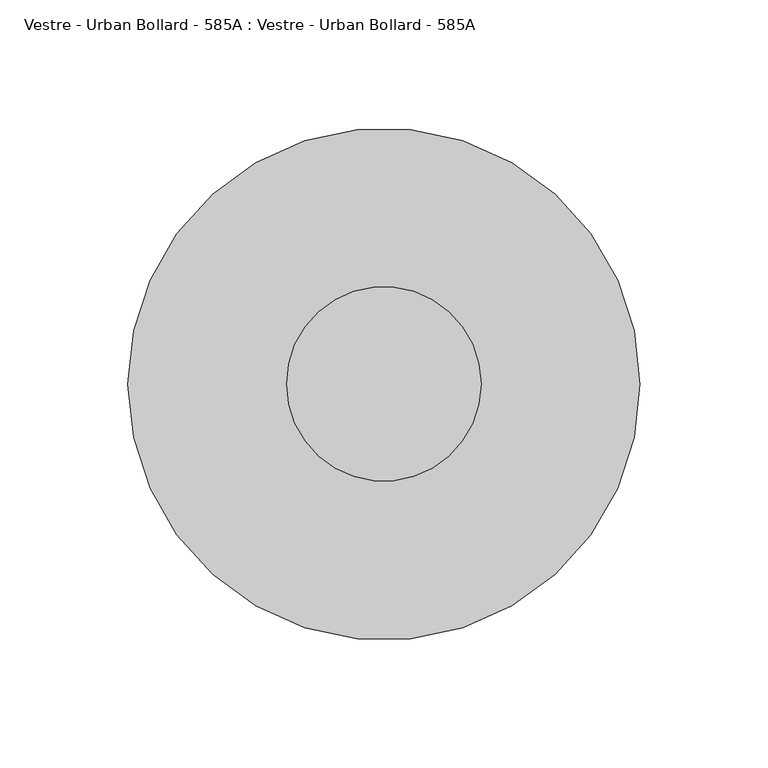
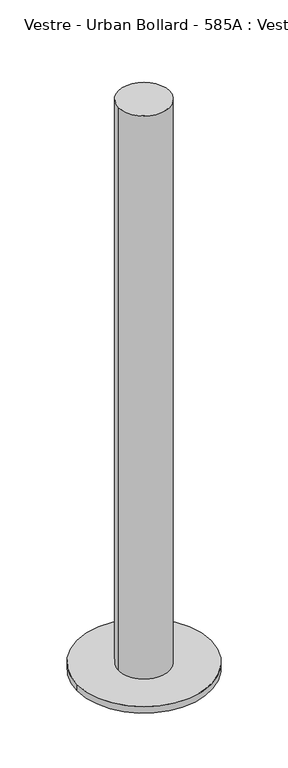
"""IFC4 building model written with IfcOpenShell, lengths in millimetres: furniture geometry, Vestre - Urban Bollard - 585A : Vestre - Urban Bollard - 585A."""

from ifc_helpers import new_model, si_unit, point, frame, origin, origin_with_axes, origin_2d, place, context, project, spatial, circle_curve, trimmed, segment, composite_curve, outline, extrude, source, transform, mapped, element, save


def vestre_urban_bollard_585a_vestre_urban_bollard_585a_d3cfbcd1(model_context):
    return source(origin(), model_context, "Body", "SweptSolid", [
        extrude(outline(composite_curve([segment(trimmed(circle_curve(origin_2d(), 100.0), [point((-100.0, 0.0))], [point((100.0, 0.0))], False, "CARTESIAN"), True, "CONTINUOUS"), segment(trimmed(circle_curve(origin_2d(), 100.0), [point((100.0, 0.0))], [point((-100.0, 0.0))], False, "CARTESIAN"), True, "CONTINUOUS")], self_intersect=False)), origin_with_axes(), (0.0, 0.0, 1.0), 10.0),
        extrude(outline(composite_curve([segment(trimmed(circle_curve(origin_2d(), 38.0130048), [point((-38.0130048, 0.0))], [point((38.0130048, 0.0))], False, "CARTESIAN"), True, "CONTINUOUS"), segment(trimmed(circle_curve(origin_2d(), 38.0130048), [point((38.0130048, 0.0))], [point((-38.0130048, 0.0))], False, "CARTESIAN"), True, "CONTINUOUS")], self_intersect=False)), frame((0.0, 0.0, 10.0), z_axis=(0.0, 0.0, 1.0), x_axis=(1.0, 0.0, 0.0)), (0.0, 0.0, 1.0), 890.0),
    ])


if __name__ == "__main__":
    model = new_model("IFC4")
    model_context = context("Model", 3, world=origin())
    ifc_project = project(units=[si_unit("LENGTHUNIT", "METRE", prefix="MILLI")], contexts=[model_context])
    site = spatial("IfcSite", under=ifc_project)
    building = spatial("IfcBuilding", under=site)
    placement = place(None, origin())
    vestre_urban_bollard_585a_vestre_urban_bollard_585a_shape = vestre_urban_bollard_585a_vestre_urban_bollard_585a_d3cfbcd1(model_context)
    element("IfcFurniture", 1, ObjectType="Vestre - Urban Bollard - 585A : Vestre - Urban Bollard - 585A", at=placement, inside=building, context=model_context, shape_type="MappedRepresentation", body=[
        mapped(vestre_urban_bollard_585a_vestre_urban_bollard_585a_shape, transform((0.0, 0.0, 0.0), x_axis=(1.0, 0.0, 0.0), y_axis=(0.0, 1.0, 0.0), z_axis=(0.0, 0.0, 1.0))),
    ])
    save(model, "model.ifc")
